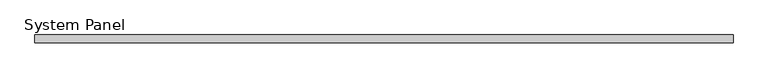
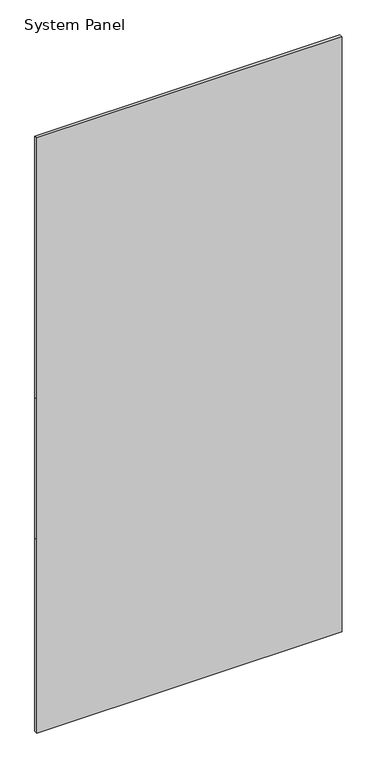
"""IFC4 building model written with IfcOpenShell, lengths in millimetres: plate geometry, System Panel."""

import ifcopenshell
import ifcopenshell.guid

model = None  # the IFC model being written
_history = None  # IfcOwnerHistory: only IFC2X3 demands one
_inside = {}  # id of a spatial element -> (the spatial element, [elements in it])
_under = {}  # id of a project, library or spatial element -> (it, [spatial elements below it])
_declared = {}  # id of a project -> (the project, [libraries it declares])
_typed = {}  # id of a type object -> (the type object, [elements of that type])
_made_of = {}  # id of a material, layer set ... -> (it, [elements and type objects made of it])


def new_model(schema):
    """Start an empty IFC model of exactly this schema.

    Asked for "IFC4X3", IfcOpenShell would pick the latest addendum, in which some entities
    have other attributes; the version numbers below select the first issue.
    IFC2X3 requires an IfcOwnerHistory on every rooted entity: one is made here for all.
    """
    global model, _history
    if schema == "IFC4X3":
        model = ifcopenshell.file(schema_version=(4, 3, 0, 0))
    else:
        model = ifcopenshell.file(schema=schema)
    _inside.clear()
    _under.clear()
    _declared.clear()
    _typed.clear()
    _made_of.clear()
    _history = None
    if model.schema == "IFC2X3":
        org = make("IfcOrganization", Name="unknown")
        user = make(
            "IfcPersonAndOrganization",
            ThePerson=make("IfcPerson", FamilyName="unknown"),
            TheOrganization=org,
        )
        app = make(
            "IfcApplication",
            ApplicationDeveloper=org,
            Version="unknown",
            ApplicationFullName="unknown",
            ApplicationIdentifier="unknown",
        )
        _history = make(
            "IfcOwnerHistory",
            OwningUser=user,
            OwningApplication=app,
            ChangeAction="ADDED",
            CreationDate=0,
        )
    return model


def make(cls, **values):
    """One entity of the class cls with the attributes given. An attribute that is None is left unset."""
    return model.create_entity(
        cls, **{name: value for name, value in values.items() if value is not None}
    )


def rooted(cls, **values):
    """An entity with a GlobalId (a new one), such as an element, a storey or a relation."""
    return make(cls, GlobalId=ifcopenshell.guid.new(), OwnerHistory=_history, **values)


def si_unit(unit_type, name, prefix=None):
    """IfcSIUnit, for example si_unit("LENGTHUNIT", "METRE", prefix="MILLI")."""
    return make("IfcSIUnit", UnitType=unit_type, Prefix=prefix, Name=name)


def assignment(units):
    """IfcUnitAssignment: the units of a project."""
    return None if units is None else make("IfcUnitAssignment", Units=units)


def point(xyz):
    """IfcCartesianPoint."""
    return None if xyz is None else make("IfcCartesianPoint", Coordinates=xyz)


def direction(xyz):
    """IfcDirection."""
    return None if xyz is None else make("IfcDirection", DirectionRatios=xyz)


def frame(location, z_axis=None, x_axis=None):
    """IfcAxis2Placement3D, a coordinate frame: its origin and axes. An axis left out is left unset."""
    return make(
        "IfcAxis2Placement3D",
        Location=point(location),
        Axis=direction(z_axis),
        RefDirection=direction(x_axis),
    )


def origin():
    """The frame at (0, 0, 0) with its axes left unset."""
    return frame((0.0, 0.0, 0.0))


def place(relative_to, where):
    """IfcLocalPlacement: puts the frame where relative to a parent placement (None: the world)."""
    return make(
        "IfcLocalPlacement", PlacementRelTo=relative_to, RelativePlacement=where
    )


def context(
    kind, dimensions, precision=None, world=None, true_north=None, identifier=None
):
    """IfcGeometricRepresentationContext, for example the 3D "Model" context."""
    return make(
        "IfcGeometricRepresentationContext",
        ContextIdentifier=identifier,
        ContextType=kind,
        CoordinateSpaceDimension=dimensions,
        Precision=precision,
        WorldCoordinateSystem=world,
        TrueNorth=true_north,
    )


def project(units=None, contexts=None):
    """IfcProject with its units and contexts."""
    return rooted(
        "IfcProject",
        Name="project",
        RepresentationContexts=contexts,
        UnitsInContext=assignment(units),
    )


def spatial(cls, under=None, at=None, **own):
    """A site, building, storey or space (cls), placed at a placement, below another one or the project."""
    s = rooted(cls, ObjectPlacement=at, **own)
    if under is not None:
        _under.setdefault(under.id(), (under, []))[1].append(s)
    return s


def polyline(points):
    """IfcPolyline through the points."""
    return make("IfcPolyline", Points=[point(p) for p in points])


def outline(outer, holes=None, kind="AREA"):
    """IfcArbitraryClosedProfileDef: a profile drawn as a closed curve; with holes, ...WithVoids."""
    if holes is None:
        return make("IfcArbitraryClosedProfileDef", ProfileType=kind, OuterCurve=outer)
    return make(
        "IfcArbitraryProfileDefWithVoids",
        ProfileType=kind,
        OuterCurve=outer,
        InnerCurves=holes,
    )


def extrude(swept, where, along, depth):
    """IfcExtrudedAreaSolid: the profile swept, set in the frame where, extruded along a direction by depth."""
    return make(
        "IfcExtrudedAreaSolid",
        SweptArea=swept,
        Position=where,
        ExtrudedDirection=direction(along),
        Depth=depth,
    )


def shape(context_of_items, identifier, shape_type, items):
    """IfcShapeRepresentation: the items that make up one representation, for example the "Body"."""
    return make(
        "IfcShapeRepresentation",
        ContextOfItems=context_of_items,
        RepresentationIdentifier=identifier,
        RepresentationType=shape_type,
        Items=items,
    )


def source(mapping_origin, context_of_items, identifier, shape_type, items):
    """IfcRepresentationMap: a shape defined once, which mapped items show again and again."""
    return make(
        "IfcRepresentationMap",
        MappingOrigin=mapping_origin,
        MappedRepresentation=shape(context_of_items, identifier, shape_type, items),
    )


def transform(
    local_origin,
    x_axis=None,
    y_axis=None,
    z_axis=None,
    scale=None,
    scale2=None,
    scale3=None,
    uniform=True,
):
    """IfcCartesianTransformationOperator3D, or its non-uniform kind. x_axis, y_axis, z_axis: its Axis1, 2, 3."""
    if uniform:
        return make(
            "IfcCartesianTransformationOperator3D",
            Axis1=direction(x_axis),
            Axis2=direction(y_axis),
            LocalOrigin=point(local_origin),
            Scale=scale,
            Axis3=direction(z_axis),
        )
    return make(
        "IfcCartesianTransformationOperator3DnonUniform",
        Axis1=direction(x_axis),
        Axis2=direction(y_axis),
        LocalOrigin=point(local_origin),
        Scale=scale,
        Axis3=direction(z_axis),
        Scale2=scale2,
        Scale3=scale3,
    )


def mapped(mapping_source, mapping_target):
    """IfcMappedItem: shows the shape of a source again, moved by a transform."""
    return make(
        "IfcMappedItem", MappingSource=mapping_source, MappingTarget=mapping_target
    )


def made_of(thing, what):
    """Note that an element or type object is made of a material, layer set ...; save() writes the relation."""
    if what is not None:
        _made_of.setdefault(what.id(), (what, []))[1].append(thing)
    return thing


def element(
    cls,
    number,
    at=None,
    inside=None,
    cuts=None,
    type_object=None,
    material=None,
    context=None,
    identifier="Body",
    shape_type=None,
    held_by="IfcProductDefinitionShape",
    body=None,
    shapes=None,
    **own,
):
    """One element of the class cls, such as IfcWall. Its Tag is "e" and its number.

    at: its placement. inside: the storey or other place that contains it. cuts: it is an
    opening in that element (IfcRelVoidsElement). A single representation is given by context,
    identifier, shape_type and body (its items); several are given by shapes. held_by: the class
    of the entity that holds the representations. save() writes the other relations.
    """
    e = rooted(cls, Tag="e%d" % number, ObjectPlacement=at, **own)
    if body is not None:
        shapes = [shape(context, identifier, shape_type, body)]
    if shapes is not None:
        e.Representation = make(held_by, Representations=shapes)
    if inside is not None:
        _inside.setdefault(inside.id(), (inside, []))[1].append(e)
    if cuts is not None:
        rooted(
            "IfcRelVoidsElement", RelatingBuildingElement=cuts, RelatedOpeningElement=e
        )
    if type_object is not None:
        _typed.setdefault(type_object.id(), (type_object, []))[1].append(e)
    return made_of(e, material)


def aggregate(whole, parts):
    """IfcRelAggregates: a whole, such as a stair, and the parts it consists of."""
    return rooted("IfcRelAggregates", RelatingObject=whole, RelatedObjects=parts)


def save(model, path):
    """Write the relations noted so far, then the file.

    IfcRelAggregates (storeys below a building ...), IfcRelContainedInSpatialStructure (elements
    in a storey), IfcRelDefinesByType, IfcRelAssociatesMaterial and IfcRelDeclares: one each for
    every whole, place, type object, material and project.
    """
    for whole, parts in _under.values():
        aggregate(whole, parts)
    for where, things in _inside.values():
        rooted(
            "IfcRelContainedInSpatialStructure",
            RelatedElements=things,
            RelatingStructure=where,
        )
    for kind, things in _typed.values():
        rooted("IfcRelDefinesByType", RelatedObjects=things, RelatingType=kind)
    for what, things in _made_of.values():
        rooted("IfcRelAssociatesMaterial", RelatedObjects=things, RelatingMaterial=what)
    for by, libraries in _declared.values():
        rooted("IfcRelDeclares", RelatingContext=by, RelatedDefinitions=libraries)
    model.write(path)


def system_panel_a8b5647a(model_context):
    return source(origin(), model_context, "Body", "SweptSolid", [
        extrude(outline(polyline([(0.0, -547.5446875), (0.0, 547.5446875), (732.21, 547.5446875), (1265.61, 547.5446875), (2255.369375, 547.5446875), (2255.369375, -547.5446875), (1265.61, -547.5446875), (732.21, -547.5446875), (0.0, -547.5446875)])), frame((0.0, -6.0, 0.0), z_axis=(0.0, 1.0, 0.0), x_axis=(0.0, 0.0, 1.0)), (0.0, 0.0, 1.0), 12.0),
    ])


if __name__ == "__main__":
    model = new_model("IFC4")
    model_context = context("Model", 3, world=origin())
    ifc_project = project(units=[si_unit("LENGTHUNIT", "METRE", prefix="MILLI")], contexts=[model_context])
    site = spatial("IfcSite", under=ifc_project)
    building = spatial("IfcBuilding", under=site)
    placement = place(None, origin())
    system_panel_shape = system_panel_a8b5647a(model_context)
    element("IfcPlate", 1, ObjectType="System Panel", at=placement, inside=building, context=model_context, shape_type="MappedRepresentation", body=[
        mapped(system_panel_shape, transform((0.0, 0.0, 0.0), x_axis=(1.0, 0.0, 0.0), y_axis=(0.0, 1.0, 0.0), z_axis=(0.0, 0.0, 1.0))),
    ])
    save(model, "model.ifc")
